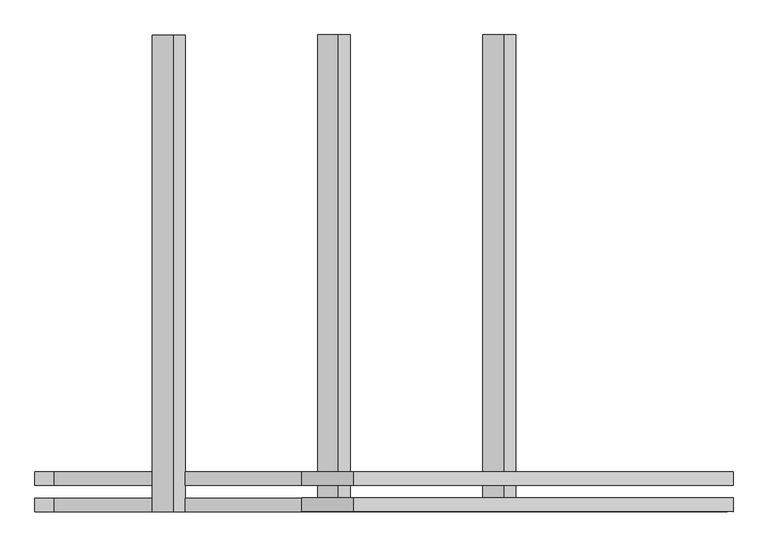
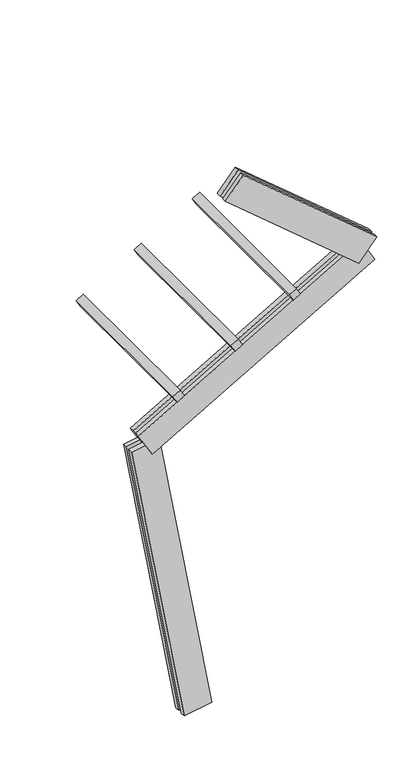
"""IFC4 building model written with IfcOpenShell, lengths in millimetres: proxy geometry."""

import ifcopenshell
import ifcopenshell.guid

model = None  # the IFC model being written
_history = None  # IfcOwnerHistory: only IFC2X3 demands one
_inside = {}  # id of a spatial element -> (the spatial element, [elements in it])
_under = {}  # id of a project, library or spatial element -> (it, [spatial elements below it])
_declared = {}  # id of a project -> (the project, [libraries it declares])
_typed = {}  # id of a type object -> (the type object, [elements of that type])
_made_of = {}  # id of a material, layer set ... -> (it, [elements and type objects made of it])


def new_model(schema):
    """Start an empty IFC model of exactly this schema.

    Asked for "IFC4X3", IfcOpenShell would pick the latest addendum, in which some entities
    have other attributes; the version numbers below select the first issue.
    IFC2X3 requires an IfcOwnerHistory on every rooted entity: one is made here for all.
    """
    global model, _history
    if schema == "IFC4X3":
        model = ifcopenshell.file(schema_version=(4, 3, 0, 0))
    else:
        model = ifcopenshell.file(schema=schema)
    _inside.clear()
    _under.clear()
    _declared.clear()
    _typed.clear()
    _made_of.clear()
    _history = None
    if model.schema == "IFC2X3":
        org = make("IfcOrganization", Name="unknown")
        user = make(
            "IfcPersonAndOrganization",
            ThePerson=make("IfcPerson", FamilyName="unknown"),
            TheOrganization=org,
        )
        app = make(
            "IfcApplication",
            ApplicationDeveloper=org,
            Version="unknown",
            ApplicationFullName="unknown",
            ApplicationIdentifier="unknown",
        )
        _history = make(
            "IfcOwnerHistory",
            OwningUser=user,
            OwningApplication=app,
            ChangeAction="ADDED",
            CreationDate=0,
        )
    return model


def make(cls, **values):
    """One entity of the class cls with the attributes given. An attribute that is None is left unset."""
    return model.create_entity(
        cls, **{name: value for name, value in values.items() if value is not None}
    )


def rooted(cls, **values):
    """An entity with a GlobalId (a new one), such as an element, a storey or a relation."""
    return make(cls, GlobalId=ifcopenshell.guid.new(), OwnerHistory=_history, **values)


def si_unit(unit_type, name, prefix=None):
    """IfcSIUnit, for example si_unit("LENGTHUNIT", "METRE", prefix="MILLI")."""
    return make("IfcSIUnit", UnitType=unit_type, Prefix=prefix, Name=name)


def assignment(units):
    """IfcUnitAssignment: the units of a project."""
    return None if units is None else make("IfcUnitAssignment", Units=units)


def point(xyz):
    """IfcCartesianPoint."""
    return None if xyz is None else make("IfcCartesianPoint", Coordinates=xyz)


def direction(xyz):
    """IfcDirection."""
    return None if xyz is None else make("IfcDirection", DirectionRatios=xyz)


def frame(location, z_axis=None, x_axis=None):
    """IfcAxis2Placement3D, a coordinate frame: its origin and axes. An axis left out is left unset."""
    return make(
        "IfcAxis2Placement3D",
        Location=point(location),
        Axis=direction(z_axis),
        RefDirection=direction(x_axis),
    )


def origin():
    """The frame at (0, 0, 0) with its axes left unset."""
    return frame((0.0, 0.0, 0.0))


def place(relative_to, where):
    """IfcLocalPlacement: puts the frame where relative to a parent placement (None: the world)."""
    return make(
        "IfcLocalPlacement", PlacementRelTo=relative_to, RelativePlacement=where
    )


def context(
    kind, dimensions, precision=None, world=None, true_north=None, identifier=None
):
    """IfcGeometricRepresentationContext, for example the 3D "Model" context."""
    return make(
        "IfcGeometricRepresentationContext",
        ContextIdentifier=identifier,
        ContextType=kind,
        CoordinateSpaceDimension=dimensions,
        Precision=precision,
        WorldCoordinateSystem=world,
        TrueNorth=true_north,
    )


def project(units=None, contexts=None):
    """IfcProject with its units and contexts."""
    return rooted(
        "IfcProject",
        Name="project",
        RepresentationContexts=contexts,
        UnitsInContext=assignment(units),
    )


def spatial(cls, under=None, at=None, **own):
    """A site, building, storey or space (cls), placed at a placement, below another one or the project."""
    s = rooted(cls, ObjectPlacement=at, **own)
    if under is not None:
        _under.setdefault(under.id(), (under, []))[1].append(s)
    return s


def polyline(points):
    """IfcPolyline through the points."""
    return make("IfcPolyline", Points=[point(p) for p in points])


def outline(outer, holes=None, kind="AREA"):
    """IfcArbitraryClosedProfileDef: a profile drawn as a closed curve; with holes, ...WithVoids."""
    if holes is None:
        return make("IfcArbitraryClosedProfileDef", ProfileType=kind, OuterCurve=outer)
    return make(
        "IfcArbitraryProfileDefWithVoids",
        ProfileType=kind,
        OuterCurve=outer,
        InnerCurves=holes,
    )


def extrude(swept, where, along, depth):
    """IfcExtrudedAreaSolid: the profile swept, set in the frame where, extruded along a direction by depth."""
    return make(
        "IfcExtrudedAreaSolid",
        SweptArea=swept,
        Position=where,
        ExtrudedDirection=direction(along),
        Depth=depth,
    )


def shape(context_of_items, identifier, shape_type, items):
    """IfcShapeRepresentation: the items that make up one representation, for example the "Body"."""
    return make(
        "IfcShapeRepresentation",
        ContextOfItems=context_of_items,
        RepresentationIdentifier=identifier,
        RepresentationType=shape_type,
        Items=items,
    )


def source(mapping_origin, context_of_items, identifier, shape_type, items):
    """IfcRepresentationMap: a shape defined once, which mapped items show again and again."""
    return make(
        "IfcRepresentationMap",
        MappingOrigin=mapping_origin,
        MappedRepresentation=shape(context_of_items, identifier, shape_type, items),
    )


def transform(
    local_origin,
    x_axis=None,
    y_axis=None,
    z_axis=None,
    scale=None,
    scale2=None,
    scale3=None,
    uniform=True,
):
    """IfcCartesianTransformationOperator3D, or its non-uniform kind. x_axis, y_axis, z_axis: its Axis1, 2, 3."""
    if uniform:
        return make(
            "IfcCartesianTransformationOperator3D",
            Axis1=direction(x_axis),
            Axis2=direction(y_axis),
            LocalOrigin=point(local_origin),
            Scale=scale,
            Axis3=direction(z_axis),
        )
    return make(
        "IfcCartesianTransformationOperator3DnonUniform",
        Axis1=direction(x_axis),
        Axis2=direction(y_axis),
        LocalOrigin=point(local_origin),
        Scale=scale,
        Axis3=direction(z_axis),
        Scale2=scale2,
        Scale3=scale3,
    )


def mapped(mapping_source, mapping_target):
    """IfcMappedItem: shows the shape of a source again, moved by a transform."""
    return make(
        "IfcMappedItem", MappingSource=mapping_source, MappingTarget=mapping_target
    )


def made_of(thing, what):
    """Note that an element or type object is made of a material, layer set ...; save() writes the relation."""
    if what is not None:
        _made_of.setdefault(what.id(), (what, []))[1].append(thing)
    return thing


def element(
    cls,
    number,
    at=None,
    inside=None,
    cuts=None,
    type_object=None,
    material=None,
    context=None,
    identifier="Body",
    shape_type=None,
    held_by="IfcProductDefinitionShape",
    body=None,
    shapes=None,
    **own,
):
    """One element of the class cls, such as IfcWall. Its Tag is "e" and its number.

    at: its placement. inside: the storey or other place that contains it. cuts: it is an
    opening in that element (IfcRelVoidsElement). A single representation is given by context,
    identifier, shape_type and body (its items); several are given by shapes. held_by: the class
    of the entity that holds the representations. save() writes the other relations.
    """
    e = rooted(cls, Tag="e%d" % number, ObjectPlacement=at, **own)
    if body is not None:
        shapes = [shape(context, identifier, shape_type, body)]
    if shapes is not None:
        e.Representation = make(held_by, Representations=shapes)
    if inside is not None:
        _inside.setdefault(inside.id(), (inside, []))[1].append(e)
    if cuts is not None:
        rooted(
            "IfcRelVoidsElement", RelatingBuildingElement=cuts, RelatedOpeningElement=e
        )
    if type_object is not None:
        _typed.setdefault(type_object.id(), (type_object, []))[1].append(e)
    return made_of(e, material)


def aggregate(whole, parts):
    """IfcRelAggregates: a whole, such as a stair, and the parts it consists of."""
    return rooted("IfcRelAggregates", RelatingObject=whole, RelatedObjects=parts)


def save(model, path):
    """Write the relations noted so far, then the file.

    IfcRelAggregates (storeys below a building ...), IfcRelContainedInSpatialStructure (elements
    in a storey), IfcRelDefinesByType, IfcRelAssociatesMaterial and IfcRelDeclares: one each for
    every whole, place, type object, material and project.
    """
    for whole, parts in _under.values():
        aggregate(whole, parts)
    for where, things in _inside.values():
        rooted(
            "IfcRelContainedInSpatialStructure",
            RelatedElements=things,
            RelatingStructure=where,
        )
    for kind, things in _typed.values():
        rooted("IfcRelDefinesByType", RelatedObjects=things, RelatingType=kind)
    for what, things in _made_of.values():
        rooted("IfcRelAssociatesMaterial", RelatedObjects=things, RelatingMaterial=what)
    for by, libraries in _declared.values():
        rooted("IfcRelDeclares", RelatingContext=by, RelatedDefinitions=libraries)
    model.write(path)


def generic_models_b0509211(model_context):
    return source(origin(), model_context, "Body", "SweptSolid", [
        extrude(outline(polyline([(1500.0, 0.0), (0.0, 0.0), (0.0, 75.0), (1500.0, 75.0), (1500.0, 0.0)])), frame((-119.9880129, -62.5, 3004.7341086), z_axis=(-0.4999999999999995, 0.0, 0.866025403784439), x_axis=(0.0, 1.0, 0.0)), (0.0, 0.0, 1.0), 75.0),
        extrude(outline(polyline([(1500.0, 0.0), (0.0, 0.0), (0.0, 75.0), (1500.0, 75.0), (1500.0, 0.0)])), frame((399.6272294, -62.5, 3304.7341086), z_axis=(-0.4999999999999995, 0.0, 0.866025403784439), x_axis=(0.0, 1.0, 0.0)), (0.0, 0.0, 1.0), 75.0),
        extrude(outline(polyline([(1500.0, 0.0), (0.0, 0.0), (0.0, 74.9999999), (1500.0, 74.9999999), (1500.0, 0.0)])), frame((919.2424716, -62.5, 3604.7341086), z_axis=(-0.4999999999999995, 0.0, 0.866025403784439), x_axis=(0.0, 1.0, 0.0)), (0.0, 0.0, 1.0), 75.0),
        extrude(outline(polyline([(1560.0000001, 125.0), (1560.0000001, 82.5), (0.0, 82.5), (0.0, 125.0), (1560.0000001, 125.0)])), frame((1442.6598978, 62.5, 3713.2253777), z_axis=(0.6427876096865414, 0.0, 0.7660444431189765), x_axis=(-0.7660444431189765, 0.0, 0.6427876096865414)), (0.0, 0.0, 1.0), 250.0),
        extrude(outline(polyline([(0.0, 0.0), (0.0, 42.5), (1560.0000001, 42.5), (1560.0000001, 0.0), (0.0, 0.0)])), frame((1442.6598978, 62.5, 3713.2253777), z_axis=(0.6427876096865414, 0.0, 0.7660444431189765), x_axis=(-0.7660444431189765, 0.0, 0.6427876096865414)), (0.0, 0.0, 1.0), 250.0),
        extrude(outline(polyline([(2300.0, 125.0), (2300.0, 82.5), (0.0, 82.5), (0.0, 125.0), (2300.0, 125.0)])), frame((1585.508349, 62.5, 3700.7277577), z_axis=(-0.4999999999999995, 0.0, 0.866025403784439), x_axis=(-0.866025403784439, 0.0, -0.4999999999999995)), (0.0, 0.0, 1.0), 250.0),
        extrude(outline(polyline([(0.0, 0.0), (0.0, 42.5), (2300.0, 42.5), (2300.0, 0.0), (0.0, 0.0)])), frame((1585.508349, 62.5, 3700.7277577), z_axis=(-0.4999999999999995, 0.0, 0.866025403784439), x_axis=(-0.866025403784439, 0.0, -0.4999999999999995)), (0.0, 0.0, 1.0), 250.0),
        extrude(outline(polyline([(-125.0, 249.9999999), (-82.5, 249.9999999), (-82.5, 0.0), (-125.0, 0.0), (-125.0, 249.9999999)])), frame((123.1009691, 62.5, 21.7060222), z_axis=(-0.17364817766693158, 0.0, 0.9848077530122079), x_axis=(0.0, 1.0, 0.0)), (0.0, 0.0, 1.0), 2700.0),
        extrude(outline(polyline([(0.0, 0.0), (-42.5, 0.0), (-42.5, 249.9999999), (0.0, 249.9999999), (0.0, 0.0)])), frame((123.1009691, 62.5, 21.7060222), z_axis=(-0.17364817766693158, 0.0, 0.9848077530122079), x_axis=(0.0, 1.0, 0.0)), (0.0, 0.0, 1.0), 2700.0),
    ])


if __name__ == "__main__":
    model = new_model("IFC4")
    model_context = context("Model", 3, world=origin())
    ifc_project = project(units=[si_unit("LENGTHUNIT", "METRE", prefix="MILLI")], contexts=[model_context])
    site = spatial("IfcSite", under=ifc_project)
    building = spatial("IfcBuilding", under=site)
    placement = place(None, origin())
    generic_models_shape = generic_models_b0509211(model_context)
    element("IfcBuildingElementProxy", 1, Name="Generic Models", at=placement, inside=building, context=model_context, shape_type="MappedRepresentation", body=[
        mapped(generic_models_shape, transform((0.0, 0.0, 0.0), x_axis=(1.0, 0.0, 0.0), y_axis=(0.0, 1.0, 0.0), z_axis=(0.0, 0.0, 1.0))),
    ])
    save(model, "model.ifc")
